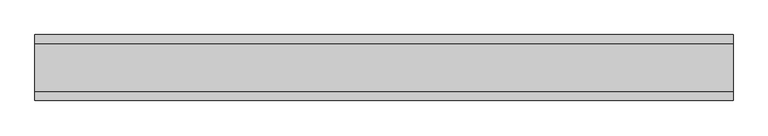
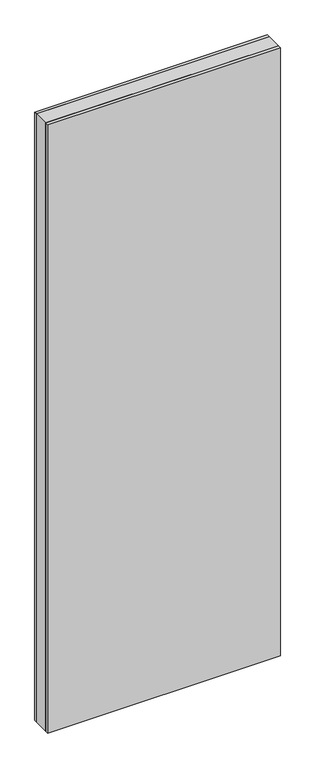
"""IFC4 building model written with IfcOpenShell, lengths in millimetres: plate geometry."""

import ifcopenshell
import ifcopenshell.guid

model = None  # the IFC model being written
_history = None  # IfcOwnerHistory: only IFC2X3 demands one
_inside = {}  # id of a spatial element -> (the spatial element, [elements in it])
_under = {}  # id of a project, library or spatial element -> (it, [spatial elements below it])
_declared = {}  # id of a project -> (the project, [libraries it declares])
_typed = {}  # id of a type object -> (the type object, [elements of that type])
_made_of = {}  # id of a material, layer set ... -> (it, [elements and type objects made of it])


def new_model(schema):
    """Start an empty IFC model of exactly this schema.

    Asked for "IFC4X3", IfcOpenShell would pick the latest addendum, in which some entities
    have other attributes; the version numbers below select the first issue.
    IFC2X3 requires an IfcOwnerHistory on every rooted entity: one is made here for all.
    """
    global model, _history
    if schema == "IFC4X3":
        model = ifcopenshell.file(schema_version=(4, 3, 0, 0))
    else:
        model = ifcopenshell.file(schema=schema)
    _inside.clear()
    _under.clear()
    _declared.clear()
    _typed.clear()
    _made_of.clear()
    _history = None
    if model.schema == "IFC2X3":
        org = make("IfcOrganization", Name="unknown")
        user = make(
            "IfcPersonAndOrganization",
            ThePerson=make("IfcPerson", FamilyName="unknown"),
            TheOrganization=org,
        )
        app = make(
            "IfcApplication",
            ApplicationDeveloper=org,
            Version="unknown",
            ApplicationFullName="unknown",
            ApplicationIdentifier="unknown",
        )
        _history = make(
            "IfcOwnerHistory",
            OwningUser=user,
            OwningApplication=app,
            ChangeAction="ADDED",
            CreationDate=0,
        )
    return model


def make(cls, **values):
    """One entity of the class cls with the attributes given. An attribute that is None is left unset."""
    return model.create_entity(
        cls, **{name: value for name, value in values.items() if value is not None}
    )


def rooted(cls, **values):
    """An entity with a GlobalId (a new one), such as an element, a storey or a relation."""
    return make(cls, GlobalId=ifcopenshell.guid.new(), OwnerHistory=_history, **values)


def si_unit(unit_type, name, prefix=None):
    """IfcSIUnit, for example si_unit("LENGTHUNIT", "METRE", prefix="MILLI")."""
    return make("IfcSIUnit", UnitType=unit_type, Prefix=prefix, Name=name)


def assignment(units):
    """IfcUnitAssignment: the units of a project."""
    return None if units is None else make("IfcUnitAssignment", Units=units)


def point(xyz):
    """IfcCartesianPoint."""
    return None if xyz is None else make("IfcCartesianPoint", Coordinates=xyz)


def direction(xyz):
    """IfcDirection."""
    return None if xyz is None else make("IfcDirection", DirectionRatios=xyz)


def frame(location, z_axis=None, x_axis=None):
    """IfcAxis2Placement3D, a coordinate frame: its origin and axes. An axis left out is left unset."""
    return make(
        "IfcAxis2Placement3D",
        Location=point(location),
        Axis=direction(z_axis),
        RefDirection=direction(x_axis),
    )


def origin():
    """The frame at (0, 0, 0) with its axes left unset."""
    return frame((0.0, 0.0, 0.0))


def origin_with_axes():
    """The frame at (0, 0, 0) with the z axis (0, 0, 1) and the x axis (1, 0, 0) written out."""
    return frame((0.0, 0.0, 0.0), z_axis=(0.0, 0.0, 1.0), x_axis=(1.0, 0.0, 0.0))


def place(relative_to, where):
    """IfcLocalPlacement: puts the frame where relative to a parent placement (None: the world)."""
    return make(
        "IfcLocalPlacement", PlacementRelTo=relative_to, RelativePlacement=where
    )


def context(
    kind, dimensions, precision=None, world=None, true_north=None, identifier=None
):
    """IfcGeometricRepresentationContext, for example the 3D "Model" context."""
    return make(
        "IfcGeometricRepresentationContext",
        ContextIdentifier=identifier,
        ContextType=kind,
        CoordinateSpaceDimension=dimensions,
        Precision=precision,
        WorldCoordinateSystem=world,
        TrueNorth=true_north,
    )


def project(units=None, contexts=None):
    """IfcProject with its units and contexts."""
    return rooted(
        "IfcProject",
        Name="project",
        RepresentationContexts=contexts,
        UnitsInContext=assignment(units),
    )


def spatial(cls, under=None, at=None, **own):
    """A site, building, storey or space (cls), placed at a placement, below another one or the project."""
    s = rooted(cls, ObjectPlacement=at, **own)
    if under is not None:
        _under.setdefault(under.id(), (under, []))[1].append(s)
    return s


def polyline(points):
    """IfcPolyline through the points."""
    return make("IfcPolyline", Points=[point(p) for p in points])


def outline(outer, holes=None, kind="AREA"):
    """IfcArbitraryClosedProfileDef: a profile drawn as a closed curve; with holes, ...WithVoids."""
    if holes is None:
        return make("IfcArbitraryClosedProfileDef", ProfileType=kind, OuterCurve=outer)
    return make(
        "IfcArbitraryProfileDefWithVoids",
        ProfileType=kind,
        OuterCurve=outer,
        InnerCurves=holes,
    )


def extrude(swept, where, along, depth):
    """IfcExtrudedAreaSolid: the profile swept, set in the frame where, extruded along a direction by depth."""
    return make(
        "IfcExtrudedAreaSolid",
        SweptArea=swept,
        Position=where,
        ExtrudedDirection=direction(along),
        Depth=depth,
    )


def shape(context_of_items, identifier, shape_type, items):
    """IfcShapeRepresentation: the items that make up one representation, for example the "Body"."""
    return make(
        "IfcShapeRepresentation",
        ContextOfItems=context_of_items,
        RepresentationIdentifier=identifier,
        RepresentationType=shape_type,
        Items=items,
    )


def source(mapping_origin, context_of_items, identifier, shape_type, items):
    """IfcRepresentationMap: a shape defined once, which mapped items show again and again."""
    return make(
        "IfcRepresentationMap",
        MappingOrigin=mapping_origin,
        MappedRepresentation=shape(context_of_items, identifier, shape_type, items),
    )


def transform(
    local_origin,
    x_axis=None,
    y_axis=None,
    z_axis=None,
    scale=None,
    scale2=None,
    scale3=None,
    uniform=True,
):
    """IfcCartesianTransformationOperator3D, or its non-uniform kind. x_axis, y_axis, z_axis: its Axis1, 2, 3."""
    if uniform:
        return make(
            "IfcCartesianTransformationOperator3D",
            Axis1=direction(x_axis),
            Axis2=direction(y_axis),
            LocalOrigin=point(local_origin),
            Scale=scale,
            Axis3=direction(z_axis),
        )
    return make(
        "IfcCartesianTransformationOperator3DnonUniform",
        Axis1=direction(x_axis),
        Axis2=direction(y_axis),
        LocalOrigin=point(local_origin),
        Scale=scale,
        Axis3=direction(z_axis),
        Scale2=scale2,
        Scale3=scale3,
    )


def mapped(mapping_source, mapping_target):
    """IfcMappedItem: shows the shape of a source again, moved by a transform."""
    return make(
        "IfcMappedItem", MappingSource=mapping_source, MappingTarget=mapping_target
    )


def made_of(thing, what):
    """Note that an element or type object is made of a material, layer set ...; save() writes the relation."""
    if what is not None:
        _made_of.setdefault(what.id(), (what, []))[1].append(thing)
    return thing


def element(
    cls,
    number,
    at=None,
    inside=None,
    cuts=None,
    type_object=None,
    material=None,
    context=None,
    identifier="Body",
    shape_type=None,
    held_by="IfcProductDefinitionShape",
    body=None,
    shapes=None,
    **own,
):
    """One element of the class cls, such as IfcWall. Its Tag is "e" and its number.

    at: its placement. inside: the storey or other place that contains it. cuts: it is an
    opening in that element (IfcRelVoidsElement). A single representation is given by context,
    identifier, shape_type and body (its items); several are given by shapes. held_by: the class
    of the entity that holds the representations. save() writes the other relations.
    """
    e = rooted(cls, Tag="e%d" % number, ObjectPlacement=at, **own)
    if body is not None:
        shapes = [shape(context, identifier, shape_type, body)]
    if shapes is not None:
        e.Representation = make(held_by, Representations=shapes)
    if inside is not None:
        _inside.setdefault(inside.id(), (inside, []))[1].append(e)
    if cuts is not None:
        rooted(
            "IfcRelVoidsElement", RelatingBuildingElement=cuts, RelatedOpeningElement=e
        )
    if type_object is not None:
        _typed.setdefault(type_object.id(), (type_object, []))[1].append(e)
    return made_of(e, material)


def aggregate(whole, parts):
    """IfcRelAggregates: a whole, such as a stair, and the parts it consists of."""
    return rooted("IfcRelAggregates", RelatingObject=whole, RelatedObjects=parts)


def save(model, path):
    """Write the relations noted so far, then the file.

    IfcRelAggregates (storeys below a building ...), IfcRelContainedInSpatialStructure (elements
    in a storey), IfcRelDefinesByType, IfcRelAssociatesMaterial and IfcRelDeclares: one each for
    every whole, place, type object, material and project.
    """
    for whole, parts in _under.values():
        aggregate(whole, parts)
    for where, things in _inside.values():
        rooted(
            "IfcRelContainedInSpatialStructure",
            RelatedElements=things,
            RelatingStructure=where,
        )
    for kind, things in _typed.values():
        rooted("IfcRelDefinesByType", RelatedObjects=things, RelatingType=kind)
    for what, things in _made_of.values():
        rooted("IfcRelAssociatesMaterial", RelatedObjects=things, RelatingMaterial=what)
    for by, libraries in _declared.values():
        rooted("IfcRelDeclares", RelatingContext=by, RelatedDefinitions=libraries)
    model.write(path)


def plate_4d4f40f4(model_context):
    return source(origin(), model_context, "Body", "SweptSolid", [
        extrude(outline(polyline([(529.6769805, 36.0), (529.6769805, -36.0), (-529.6769805, -36.0), (-529.6769805, 36.0), (529.6769805, 36.0)])), origin_with_axes(), (0.0, 0.0, 1.0), 2925.7),
        extrude(outline(polyline([(529.6769805, 50.0), (529.6769805, 36.0), (-529.6769805, 36.0), (-529.6769805, 50.0), (529.6769805, 50.0)])), origin_with_axes(), (0.0, 0.0, 1.0), 2925.7),
        extrude(outline(polyline([(529.6769805, -36.0), (529.6769805, -50.0), (-529.6769805, -50.0), (-529.6769805, -36.0), (529.6769805, -36.0)])), origin_with_axes(), (0.0, 0.0, 1.0), 2925.7),
    ])


if __name__ == "__main__":
    model = new_model("IFC4")
    model_context = context("Model", 3, world=origin())
    ifc_project = project(units=[si_unit("LENGTHUNIT", "METRE", prefix="MILLI")], contexts=[model_context])
    site = spatial("IfcSite", under=ifc_project)
    building = spatial("IfcBuilding", under=site)
    placement = place(None, origin())
    plate_shape = plate_4d4f40f4(model_context)
    element("IfcPlate", 1, at=placement, inside=building, context=model_context, shape_type="MappedRepresentation", body=[
        mapped(plate_shape, transform((0.0, 0.0, 0.0), x_axis=(1.0, 0.0, 0.0), y_axis=(0.0, 1.0, 0.0), z_axis=(0.0, 0.0, 1.0))),
    ])
    save(model, "model.ifc")
